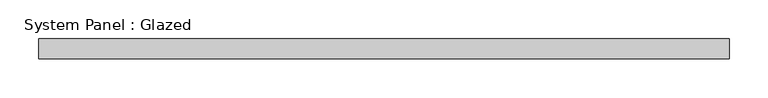
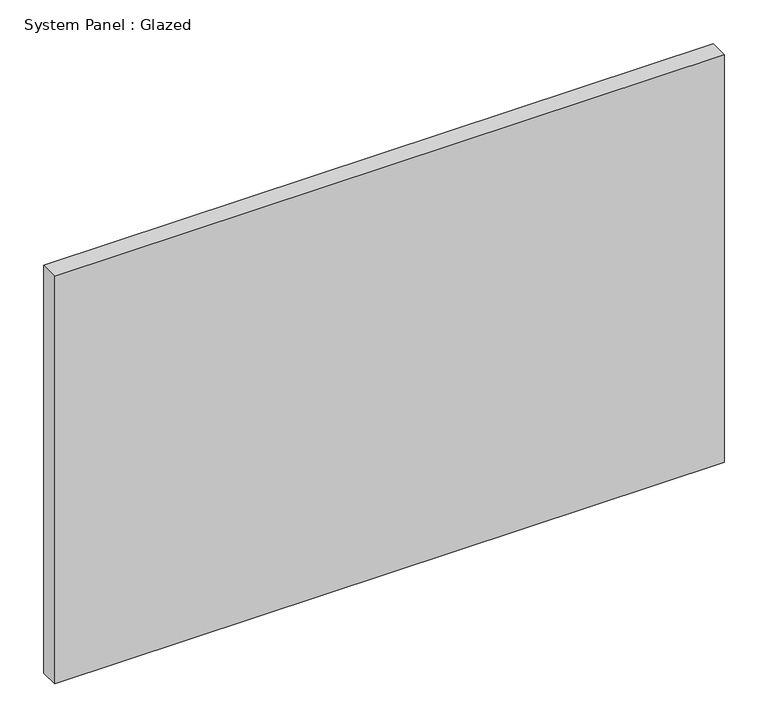
"""IFC4 building model written with IfcOpenShell, lengths in millimetres: plate geometry, System Panel : Glazed."""

from ifc_helpers import new_model, si_unit, origin, origin_with_axes, place, context, project, spatial, polyline, outline, extrude, source, transform, mapped, element, save


def system_panel_glazed_04e54b91(model_context):
    return source(origin(), model_context, "Body", "SweptSolid", [
        extrude(outline(polyline([(444.1471541, -44.45), (-444.1471541, -44.45), (-444.1471541, -19.05), (444.1471541, -19.05), (444.1471541, -44.45)])), origin_with_axes(), (0.0, 0.0, 1.0), 571.5),
    ])


if __name__ == "__main__":
    model = new_model("IFC4")
    model_context = context("Model", 3, world=origin())
    ifc_project = project(units=[si_unit("LENGTHUNIT", "METRE", prefix="MILLI")], contexts=[model_context])
    site = spatial("IfcSite", under=ifc_project)
    building = spatial("IfcBuilding", under=site)
    placement = place(None, origin())
    system_panel_glazed_shape = system_panel_glazed_04e54b91(model_context)
    element("IfcPlate", 1, ObjectType="System Panel : Glazed", at=placement, inside=building, context=model_context, shape_type="MappedRepresentation", body=[
        mapped(system_panel_glazed_shape, transform((0.0, 0.0, 0.0), x_axis=(1.0, 0.0, 0.0), y_axis=(0.0, 1.0, 0.0), z_axis=(0.0, 0.0, 1.0))),
    ])
    save(model, "model.ifc")
